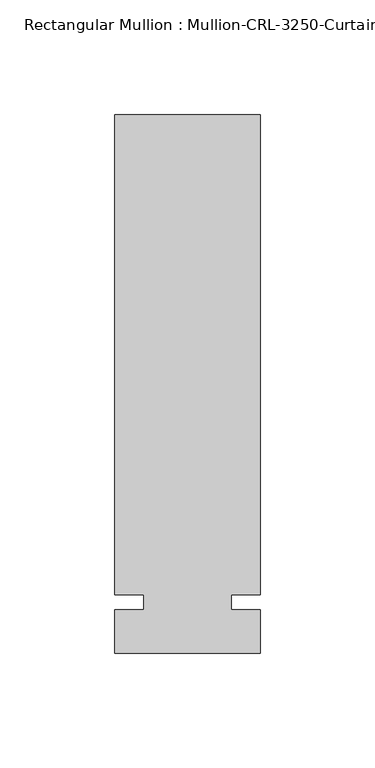
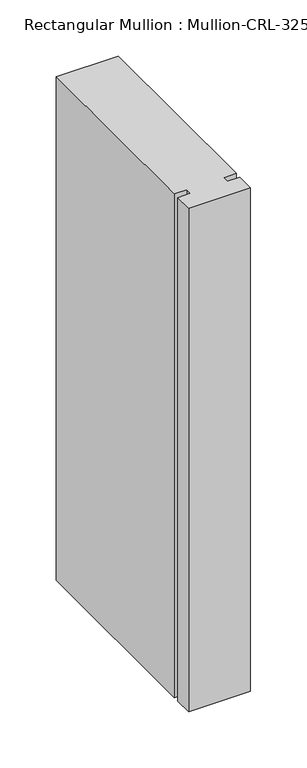
"""IFC4 building model written with IfcOpenShell, lengths in millimetres: member geometry."""

from ifc_helpers import new_model, si_unit, frame, origin, place, context, project, spatial, polyline, outline, extrude, source, transform, mapped, element, save


def member_3bcbc37a(model_context):
    return source(origin(), model_context, "Body", "SweptSolid", [
        extrude(outline(polyline([(31.7499985, -3.175), (31.7499985, -22.2254168), (-31.7499985, -22.2254168), (-31.7499985, -3.175), (-19.0499985, -3.175), (-19.0499985, 3.175), (-31.7499985, 3.175), (-31.7499985, 212.7246169), (31.7499985, 212.7246169), (31.7499985, 3.175), (19.0499985, 3.175), (19.0499985, -3.175), (31.7499985, -3.175)])), frame((0.0, 0.0, -546.1000015), z_axis=(0.0, 0.0, 1.0), x_axis=(1.0, 0.0, 0.0)), (0.0, 0.0, 1.0), 546.1000015),
    ])


if __name__ == "__main__":
    model = new_model("IFC4")
    model_context = context("Model", 3, world=origin())
    ifc_project = project(units=[si_unit("LENGTHUNIT", "METRE", prefix="MILLI")], contexts=[model_context])
    site = spatial("IfcSite", under=ifc_project)
    building = spatial("IfcBuilding", under=site)
    placement = place(None, origin())
    member_shape = member_3bcbc37a(model_context)
    element("IfcMember", 1, ObjectType="Rectangular Mullion : Mullion-CRL-3250-Curtain_Wall-Intermediate_Vertical-8\"", at=placement, inside=building, context=model_context, shape_type="MappedRepresentation", body=[
        mapped(member_shape, transform((0.0, 0.0, 0.0), x_axis=(1.0, 0.0, 0.0), y_axis=(0.0, 1.0, 0.0), z_axis=(0.0, 0.0, 1.0))),
    ])
    save(model, "model.ifc")
